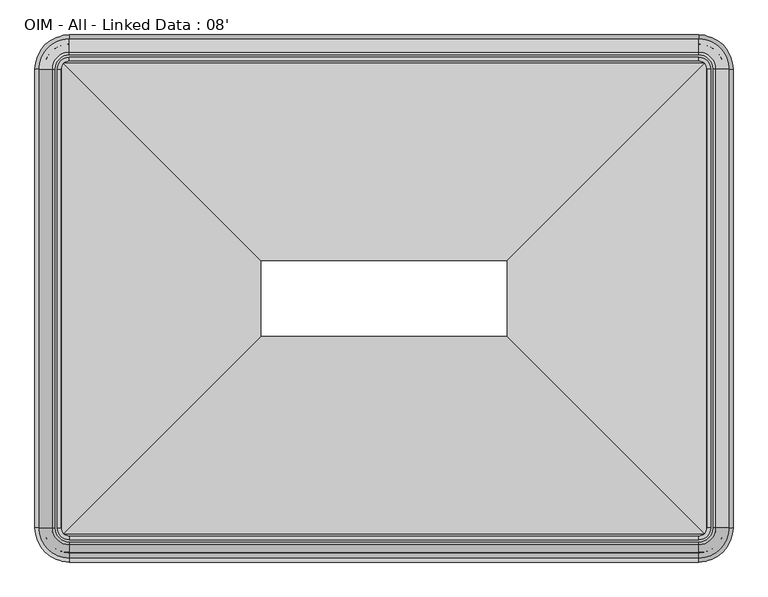
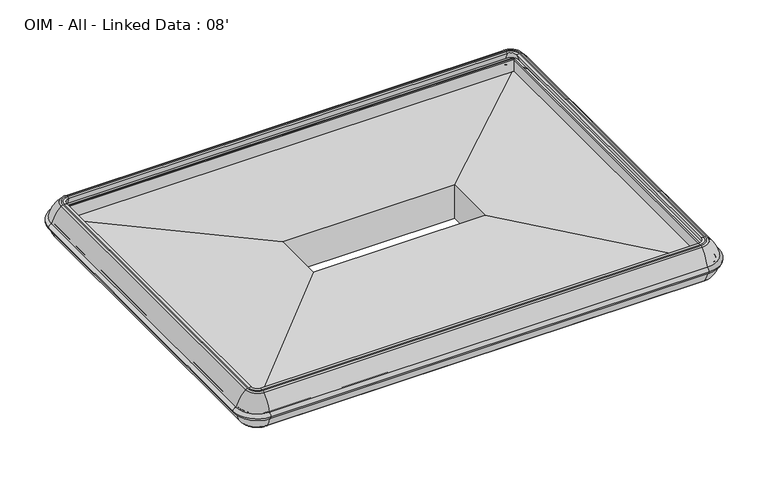
"""IFC4 building model written with IfcOpenShell, lengths in millimetres: proxy geometry, OIM - All - Linked Data : 08'."""

from ifc_helpers import new_model, si_unit, point, frame, origin, place, context, project, spatial, polyline, circle_curve, ellipse_curve, trimmed, faceted_brep, source, transform, mapped, element, save
from ifc_brep_helpers import plane_surface, cylinder_surface, revolved_surface, advanced_brep


def oim_all_linked_data_08_3c88046b(model_context):
    return source(origin(), model_context, "Body", "SolidModel", [
        faceted_brep([(1816.2647942, -1560.5487215, 450.4660075), (1816.2647942, -1560.5487215, 645.5473618), (1816.2647942, -1268.1191331, 645.5473618), (1816.2647942, -1268.1191331, 450.4660075), (2088.9689137, -1833.252841, 436.6496591), (2088.9689137, -995.4150136, 436.6496591), (2104.0508194, -1848.3347467, 422.3615379), (2104.0508194, -980.3331079, 422.3615379), (2117.8073057, -1862.091233, 435.3939986), (2117.8073057, -966.5766216, 435.3939986), (2422.1384126, -2166.4223399, 446.4092529), (2422.1384126, -662.2455147, 446.4092529), (2600.3117928, -2344.5957201, 571.1675968), (2600.3117928, -484.0721345, 571.1675968), (2600.3117928, -2344.5957201, 652.4421919), (2600.3117928, -484.0721345, 652.4421919), (2585.2305021, -2329.5144294, 644.8221919), (2586.2205286, -2330.5044559, 652.4421919), (2586.2205286, -498.1633987, 652.4421919), (2585.2305021, -499.1534252, 644.8221919), (2585.2305021, -2329.5144294, 580.407456), (2585.2305021, -499.1534252, 580.407456), (866.6102058, -1268.1191331, 645.5473618), (866.6102058, -1268.1191331, 450.4660075), (593.9060863, -995.4150136, 436.6496591), (578.8241806, -980.3331079, 422.3615379), (565.0676943, -966.5766216, 435.3939986), (260.7365874, -662.2455147, 446.4092529), (82.5632072, -484.0721345, 571.1675968), (82.5632072, -484.0721345, 652.4421919), (96.6544714, -498.1633987, 652.4421919), (97.6444979, -499.1534252, 644.8221919), (97.6444979, -499.1534252, 580.407456), (866.6102058, -1560.5487215, 645.5473618), (866.6102058, -1560.5487215, 450.4660075), (593.9060863, -1833.252841, 436.6496591), (578.8241806, -1848.3347467, 422.3615379), (565.0676943, -1862.091233, 435.3939986), (260.7365874, -2166.4223399, 446.4092529), (82.5632072, -2344.5957201, 571.1675968), (82.5632072, -2344.5957201, 652.4421919), (96.6544714, -2330.5044559, 652.4421919), (97.6444979, -2329.5144294, 644.8221919), (97.6444979, -2329.5144294, 580.407456)], [[[0, 1, 2, 3]], [[4, 0, 3, 5]], [[6, 4, 5, 7]], [[8, 6, 7, 9]], [[10, 8, 9, 11]], [[12, 10, 11, 13]], [[14, 12, 13, 15]], [[16, 17, 18, 19]], [[20, 16, 19, 21]], [[1, 20, 21, 2]], [[3, 2, 22, 23]], [[5, 3, 23, 24]], [[7, 5, 24, 25]], [[9, 7, 25, 26]], [[11, 9, 26, 27]], [[13, 11, 27, 28]], [[15, 13, 28, 29]], [[19, 18, 30, 31]], [[21, 19, 31, 32]], [[2, 21, 32, 22]], [[23, 22, 33, 34]], [[24, 23, 34, 35]], [[25, 24, 35, 36]], [[26, 25, 36, 37]], [[27, 26, 37, 38]], [[28, 27, 38, 39]], [[29, 28, 39, 40]], [[31, 30, 41, 42]], [[32, 31, 42, 43]], [[22, 32, 43, 33]], [[34, 33, 1, 0]], [[35, 34, 0, 4]], [[36, 35, 4, 6]], [[37, 36, 6, 8]], [[38, 37, 8, 10]], [[39, 38, 10, 12]], [[40, 39, 12, 14]], [[15, 29, 40, 14], [17, 41, 30, 18]], [[42, 41, 17, 16]], [[43, 42, 16, 20]], [[33, 43, 20, 1]]]),
        advanced_brep(
        [(-3.5299884, -2298.62165, 584.7675726), (128.5372773, -2430.6889157, 584.7675726), (128.5372773, -2395.6988356, 584.7675726), (31.4600917, -2298.62165, 584.7675726), (31.4600917, -530.0462046, 584.7675726), (-3.5299884, -530.0462046, 584.7675726), (128.5372773, -397.9789389, 584.7675726), (128.5372773, -432.969019, 584.7675726), (2554.3377227, -432.969019, 584.7675726), (2554.3377227, -397.9789389, 584.7675726), (2686.4049884, -530.0462046, 584.7675726), (2651.4149083, -530.0462046, 584.7675726), (2651.4149083, -2298.62165, 584.7675726), (2686.4049884, -2298.62165, 584.7675726), (2554.3377227, -2430.6889157, 584.7675726), (2554.3377227, -2395.6988356, 584.7675726)],
        [
            (0, 1, circle_curve(frame((128.5372773, -2298.62165, 584.7675726), z_axis=(0.0, 0.0, 1.0), x_axis=(0.0, -1.0, 0.0)), 132.0672657)),
            (1, 2, circle_curve(frame((128.5372773, -2413.1938757, 584.7675726), z_axis=(-1.0, 0.0, 0.0), x_axis=(0.0, -1.0, 0.0)), 17.49504)),
            (2, 3, circle_curve(frame((128.5372773, -2298.62165, 584.7675726), z_axis=(0.0, 0.0, -1.0), x_axis=(0.0, -1.0, 0.0)), 97.0771856)),
            (3, 0, circle_curve(frame((13.9650516, -2298.62165, 584.7675726), z_axis=(0.0, -1.0, 0.0), x_axis=(-1.0, 0.0, 0.0)), 17.49504)),
            (2, 1, circle_curve(frame((128.5372773, -2413.1938757, 584.7675726), z_axis=(-1.0, 0.0, 0.0), x_axis=(0.0, -1.0, 0.0)), 17.49504)),
            (0, 3, circle_curve(frame((13.9650516, -2298.62165, 584.7675726), z_axis=(0.0, -1.0, 0.0), x_axis=(-1.0, 0.0, 0.0)), 17.49504)),
            (3, 4),
            (4, 5, circle_curve(frame((13.9650516, -530.0462046, 584.7675726), z_axis=(0.0, -1.0, 0.0), x_axis=(-1.0, 0.0, 0.0)), 17.49504)),
            (5, 0),
            (5, 4, circle_curve(frame((13.9650516, -530.0462046, 584.7675726), z_axis=(0.0, -1.0, 0.0), x_axis=(-1.0, 0.0, 0.0)), 17.49504)),
            (6, 5, circle_curve(frame((128.5372773, -530.0462046, 584.7675726), z_axis=(0.0, 0.0, 1.0), x_axis=(-1.0, 0.0, 0.0)), 132.0672657)),
            (4, 7, circle_curve(frame((128.5372773, -530.0462046, 584.7675726), z_axis=(0.0, 0.0, -1.0), x_axis=(-1.0, 0.0, 0.0)), 97.0771856)),
            (7, 6, circle_curve(frame((128.5372773, -415.4739789, 584.7675726), z_axis=(-1.0, 0.0, 0.0), x_axis=(0.0, 1.0, 0.0)), 17.49504)),
            (6, 7, circle_curve(frame((128.5372773, -415.4739789, 584.7675726), z_axis=(-1.0, 0.0, 0.0), x_axis=(0.0, 1.0, 0.0)), 17.49504)),
            (7, 8),
            (8, 9, circle_curve(frame((2554.3377227, -415.4739789, 584.7675726), z_axis=(-1.0, 0.0, 0.0), x_axis=(0.0, 1.0, 0.0)), 17.49504)),
            (9, 6),
            (9, 8, circle_curve(frame((2554.3377227, -415.4739789, 584.7675726), z_axis=(-1.0, 0.0, 0.0), x_axis=(0.0, 1.0, 0.0)), 17.49504)),
            (10, 9, circle_curve(frame((2554.3377227, -530.0462046, 584.7675726), z_axis=(0.0, 0.0, 1.0), x_axis=(0.0, 1.0, 0.0)), 132.0672657)),
            (8, 11, circle_curve(frame((2554.3377227, -530.0462046, 584.7675726), z_axis=(0.0, 0.0, -1.0), x_axis=(0.0, 1.0, 0.0)), 97.0771856)),
            (11, 10, circle_curve(frame((2668.9099484, -530.0462046, 584.7675726), z_axis=(0.0, 1.0, 0.0), x_axis=(1.0, 0.0, 0.0)), 17.49504)),
            (10, 11, circle_curve(frame((2668.9099484, -530.0462046, 584.7675726), z_axis=(0.0, 1.0, 0.0), x_axis=(1.0, 0.0, 0.0)), 17.49504)),
            (11, 12),
            (12, 13, circle_curve(frame((2668.9099484, -2298.62165, 584.7675726), z_axis=(0.0, 1.0, 0.0), x_axis=(1.0, 0.0, 0.0)), 17.49504)),
            (13, 10),
            (13, 12, circle_curve(frame((2668.9099484, -2298.62165, 584.7675726), z_axis=(0.0, 1.0, 0.0), x_axis=(1.0, 0.0, 0.0)), 17.49504)),
            (14, 13, circle_curve(frame((2554.3377227, -2298.62165, 584.7675726), z_axis=(0.0, 0.0, 1.0), x_axis=(1.0, 0.0, 0.0)), 132.0672657)),
            (12, 15, circle_curve(frame((2554.3377227, -2298.62165, 584.7675726), z_axis=(0.0, 0.0, -1.0), x_axis=(1.0, 0.0, 0.0)), 97.0771856)),
            (15, 14, circle_curve(frame((2554.3377227, -2413.1938757, 584.7675726), z_axis=(1.0, 0.0, 0.0), x_axis=(0.0, -1.0, 0.0)), 17.49504)),
            (14, 15, circle_curve(frame((2554.3377227, -2413.1938757, 584.7675726), z_axis=(1.0, 0.0, 0.0), x_axis=(0.0, -1.0, 0.0)), 17.49504)),
            (15, 2),
            (1, 14),
        ],
        [
            revolved_surface(trimmed(ellipse_curve(frame((128.5372773, -2413.1938757, 584.7675726), z_axis=(1.0, 0.0, 0.0), x_axis=(0.0, -1.0, 0.0)), 17.49504, 17.49504), [point((128.5372773, -2395.6988356, 584.7675726))], [point((128.5372773, -2430.6889157, 584.7675726))], True, "CARTESIAN"), (128.5372773, -2298.62165, 0.0), (0.0, 0.0, -1.0)),
            revolved_surface(trimmed(ellipse_curve(frame((128.5372773, -2413.1938757, 584.7675726), z_axis=(1.0, 0.0, 0.0), x_axis=(0.0, -1.0, 0.0)), 17.49504, 17.49504), [point((128.5372773, -2430.6889157, 584.7675726))], [point((128.5372773, -2395.6988356, 584.7675726))], True, "CARTESIAN"), (128.5372773, -2298.62165, 0.0), (0.0, 0.0, -1.0)),
            cylinder_surface(frame((13.9650516, -2298.62165, 584.7675726), z_axis=(0.0, -1.0, 0.0), x_axis=(-1.0, 0.0, 0.0)), 17.49504),
            revolved_surface(trimmed(ellipse_curve(frame((13.9650516, -530.0462046, 584.7675726), z_axis=(0.0, -1.0, 0.0), x_axis=(-1.0, 0.0, 0.0)), 17.49504, 17.49504), [point((31.4600917, -530.0462046, 584.7675726))], [point((-3.5299884, -530.0462046, 584.7675726))], True, "CARTESIAN"), (128.5372773, -530.0462046, 0.0), (0.0, 0.0, -1.0)),
            revolved_surface(trimmed(ellipse_curve(frame((13.9650516, -530.0462046, 584.7675726), z_axis=(0.0, -1.0, 0.0), x_axis=(-1.0, 0.0, 0.0)), 17.49504, 17.49504), [point((-3.5299884, -530.0462046, 584.7675726))], [point((31.4600917, -530.0462046, 584.7675726))], True, "CARTESIAN"), (128.5372773, -530.0462046, 0.0), (0.0, 0.0, -1.0)),
            cylinder_surface(frame((128.5372773, -415.4739789, 584.7675726), z_axis=(-1.0, 0.0, 0.0), x_axis=(0.0, 1.0, 0.0)), 17.49504),
            revolved_surface(trimmed(ellipse_curve(frame((2554.3377227, -415.4739789, 584.7675726), z_axis=(-1.0, 0.0, 0.0), x_axis=(0.0, 1.0, 0.0)), 17.49504, 17.49504), [point((2554.3377227, -432.969019, 584.7675726))], [point((2554.3377227, -397.9789389, 584.7675726))], True, "CARTESIAN"), (2554.3377227, -530.0462046, 0.0), (0.0, 0.0, -1.0)),
            revolved_surface(trimmed(ellipse_curve(frame((2554.3377227, -415.4739789, 584.7675726), z_axis=(-1.0, 0.0, 0.0), x_axis=(0.0, 1.0, 0.0)), 17.49504, 17.49504), [point((2554.3377227, -397.9789389, 584.7675726))], [point((2554.3377227, -432.969019, 584.7675726))], True, "CARTESIAN"), (2554.3377227, -530.0462046, 0.0), (0.0, 0.0, -1.0)),
            cylinder_surface(frame((2668.9099484, -530.0462046, 584.7675726), z_axis=(0.0, 1.0, 0.0), x_axis=(1.0, 0.0, 0.0)), 17.49504),
            revolved_surface(trimmed(ellipse_curve(frame((2668.9099484, -2298.62165, 584.7675726), z_axis=(0.0, 1.0, 0.0), x_axis=(1.0, 0.0, 0.0)), 17.49504, 17.49504), [point((2651.4149083, -2298.62165, 584.7675726))], [point((2686.4049884, -2298.62165, 584.7675726))], True, "CARTESIAN"), (2554.3377227, -2298.62165, 0.0), (0.0, 0.0, -1.0)),
            revolved_surface(trimmed(ellipse_curve(frame((2668.9099484, -2298.62165, 584.7675726), z_axis=(0.0, 1.0, 0.0), x_axis=(1.0, 0.0, 0.0)), 17.49504, 17.49504), [point((2686.4049884, -2298.62165, 584.7675726))], [point((2651.4149083, -2298.62165, 584.7675726))], True, "CARTESIAN"), (2554.3377227, -2298.62165, 0.0), (0.0, 0.0, -1.0)),
            cylinder_surface(frame((2554.3377227, -2413.1938757, 584.7675726), z_axis=(1.0, 0.0, 0.0), x_axis=(0.0, -1.0, 0.0)), 17.49504),
        ],
        [
            (0, [[1, 2, 3, 4]]),
            (1, [[-3, 5, -1, 6]]),
            (2, [[-4, 7, 8, 9]]),
            (2, [[-6, -9, 10, -7]]),
            (3, [[11, -8, 12, 13]]),
            (4, [[-12, -10, -11, 14]]),
            (5, [[-13, 15, 16, 17]]),
            (5, [[-14, -17, 18, -15]]),
            (6, [[19, -16, 20, 21]]),
            (7, [[-20, -18, -19, 22]]),
            (8, [[-21, 23, 24, 25]]),
            (8, [[-22, -25, 26, -23]]),
            (9, [[27, -24, 28, 29]]),
            (10, [[-28, -26, -27, 30]]),
            (11, [[-29, 31, -2, 32]]),
            (11, [[-30, -32, -5, -31]]),
        ],
    ),
        advanced_brep(
        [(2602.6168021, -2298.62165, 502.405218), (2554.3377227, -2346.9007294, 502.405218), (2554.3377227, -2346.9007294, 649.6302707), (2602.6168021, -2298.62165, 649.6302707), (2641.4269627, -2298.62165, 504.5537563), (2554.3377227, -2385.71089, 504.5537563), (2554.3377227, -2380.9495646, 502.405218), (2636.6656373, -2298.62165, 502.405218), (2671.4306889, -2298.62165, 567.4550831), (2554.3377227, -2415.7146162, 567.4550831), (2671.2225364, -2298.62165, 602.109094), (2554.3377227, -2415.5064637, 602.109094), (2620.14706, -2298.62165, 687.0777092), (2554.3377227, -2364.4309873, 687.0777092), (2609.3606373, -2298.62165, 691.305018), (2554.3377227, -2353.6445646, 691.305018), (2586.33719, -2298.62165, 690.9584783), (2554.3377227, -2330.6211173, 690.9584783), (2554.3377227, -2344.1195646, 691.305018), (2599.8356373, -2298.62165, 691.305018), (2602.6168021, -530.0462046, 649.6302707), (2602.6168021, -530.0462046, 502.405218), (2636.6656373, -530.0462046, 502.405218), (2641.4269627, -530.0462046, 504.5537563), (2671.4306889, -530.0462046, 567.4550831), (2671.2225364, -530.0462046, 602.109094), (2620.14706, -530.0462046, 687.0777092), (2609.3606373, -530.0462046, 691.305018), (2599.8356373, -530.0462046, 691.305018), (2586.33719, -530.0462046, 690.9584783), (2554.3377227, -481.7671252, 502.405218), (2554.3377227, -481.7671252, 649.6302707), (2554.3377227, -442.9569646, 504.5537563), (2554.3377227, -447.71829, 502.405218), (2554.3377227, -412.9532384, 567.4550831), (2554.3377227, -413.1613909, 602.109094), (2554.3377227, -464.2368673, 687.0777092), (2554.3377227, -475.02329, 691.305018), (2554.3377227, -498.0467373, 690.9584783), (2554.3377227, -484.54829, 691.305018), (128.5372773, -481.7671252, 649.6302707), (128.5372773, -481.7671252, 502.405218), (128.5372773, -447.71829, 502.405218), (128.5372773, -442.9569646, 504.5537563), (128.5372773, -412.9532384, 567.4550831), (128.5372773, -413.1613909, 602.109094), (128.5372773, -464.2368673, 687.0777092), (128.5372773, -475.02329, 691.305018), (128.5372773, -484.54829, 691.305018), (128.5372773, -498.0467373, 690.9584783), (80.2581979, -530.0462046, 502.405218), (80.2581979, -530.0462046, 649.6302707), (41.4480373, -530.0462046, 504.5537563), (46.2093627, -530.0462046, 502.405218), (11.4443111, -530.0462046, 567.4550831), (11.6524636, -530.0462046, 602.109094), (62.72794, -530.0462046, 687.0777092), (73.5143627, -530.0462046, 691.305018), (96.53781, -530.0462046, 690.9584783), (83.0393627, -530.0462046, 691.305018), (80.2581979, -2298.62165, 649.6302707), (80.2581979, -2298.62165, 502.405218), (46.2093627, -2298.62165, 502.405218), (41.4480373, -2298.62165, 504.5537563), (11.4443111, -2298.62165, 567.4550831), (11.6524636, -2298.62165, 602.109094), (62.72794, -2298.62165, 687.0777092), (73.5143627, -2298.62165, 691.305018), (83.0393627, -2298.62165, 691.305018), (96.53781, -2298.62165, 690.9584783), (128.5372773, -2346.9007294, 502.405218), (128.5372773, -2346.9007294, 649.6302707), (128.5372773, -2385.71089, 504.5537563), (128.5372773, -2380.9495646, 502.405218), (128.5372773, -2415.7146162, 567.4550831), (128.5372773, -2415.5064637, 602.109094), (128.5372773, -2364.4309873, 687.0777092), (128.5372773, -2353.6445646, 691.305018), (128.5372773, -2330.6211173, 690.9584783), (128.5372773, -2344.1195646, 691.305018)],
        [
            (0, 1, circle_curve(frame((2554.3377227, -2298.62165, 502.405218), z_axis=(0.0, 0.0, -1.0), x_axis=(0.0, -1.0, 0.0)), 48.2790794)),
            (1, 2),
            (2, 3, circle_curve(frame((2554.3377227, -2298.62165, 649.6302707), z_axis=(0.0, 0.0, 1.0), x_axis=(0.0, -1.0, 0.0)), 48.2790794)),
            (3, 0),
            (4, 5, circle_curve(frame((2554.3377227, -2298.62165, 504.5537563), z_axis=(0.0, 0.0, -1.0), x_axis=(0.0, -1.0, 0.0)), 87.08924)),
            (5, 6, circle_curve(frame((2554.3377227, -2380.9495646, 508.755218), z_axis=(1.0, 0.0, 0.0), x_axis=(0.0, 1.0, 0.0)), 6.35)),
            (6, 7, circle_curve(frame((2554.3377227, -2298.62165, 502.405218), z_axis=(0.0, 0.0, 1.0), x_axis=(0.0, -1.0, 0.0)), 82.3279146)),
            (7, 4, circle_curve(frame((2636.6656373, -2298.62165, 508.755218), z_axis=(0.0, -1.0, 0.0), x_axis=(-1.0, 0.0, 0.0)), 6.35)),
            (8, 9, circle_curve(frame((2554.3377227, -2298.62165, 567.4550831), z_axis=(0.0, 0.0, -1.0), x_axis=(0.0, -1.0, 0.0)), 117.0929662)),
            (9, 5, circle_curve(frame((2554.3377227, -2290.4843821, 588.5829906), z_axis=(1.0, 0.0, 0.0), x_axis=(0.0, 1.0, 0.0)), 127.0)),
            (4, 8, circle_curve(frame((2546.2004548, -2298.62165, 588.5829906), z_axis=(0.0, -1.0, 0.0), x_axis=(-1.0, 0.0, 0.0)), 127.0)),
            (10, 11, circle_curve(frame((2554.3377227, -2298.62165, 602.109094), z_axis=(0.0, 0.0, -1.0), x_axis=(0.0, -1.0, 0.0)), 116.8848137)),
            (11, 9, circle_curve(frame((2554.3377227, -2413.1938757, 584.7675726), z_axis=(-1.0, 0.0, 0.0), x_axis=(0.0, 1.0, 0.0)), 17.49504)),
            (8, 10, circle_curve(frame((2668.9099484, -2298.62165, 584.7675726), z_axis=(0.0, 1.0, 0.0), x_axis=(-1.0, 0.0, 0.0)), 17.49504)),
            (12, 13, circle_curve(frame((2554.3377227, -2298.62165, 687.0777092), z_axis=(0.0, 0.0, -1.0), x_axis=(0.0, -1.0, 0.0)), 65.8093373)),
            (13, 11, circle_curve(frame((2554.3377227, -2243.6230529, 556.623568), z_axis=(1.0, 0.0, 0.0), x_axis=(0.0, 1.0, 0.0)), 177.7999999)),
            (10, 12, circle_curve(frame((2499.3391256, -2298.62165, 556.623568), z_axis=(0.0, -1.0, 0.0), x_axis=(-1.0, 0.0, 0.0)), 177.7999999)),
            (14, 15, circle_curve(frame((2554.3377227, -2298.62165, 691.305018), z_axis=(0.0, 0.0, -1.0), x_axis=(0.0, -1.0, 0.0)), 55.0229146)),
            (15, 13, circle_curve(frame((2554.3377227, -2353.6445646, 675.430018), z_axis=(1.0, 0.0, 0.0), x_axis=(0.0, 1.0, 0.0)), 15.875)),
            (12, 14, circle_curve(frame((2609.3606373, -2298.62165, 675.430018), z_axis=(0.0, -1.0, 0.0), x_axis=(-1.0, 0.0, 0.0)), 15.875)),
            (16, 17, circle_curve(frame((2554.3377227, -2298.62165, 690.9584783), z_axis=(0.0, 0.0, -1.0), x_axis=(0.0, -1.0, 0.0)), 31.9994673)),
            (17, 18),
            (18, 19, circle_curve(frame((2554.3377227, -2298.62165, 691.305018), z_axis=(0.0, 0.0, 1.0), x_axis=(0.0, -1.0, 0.0)), 45.4979146)),
            (19, 16),
            (2, 17),
            (16, 3),
            (3, 20),
            (20, 21),
            (21, 0),
            (7, 22),
            (22, 23, circle_curve(frame((2636.6656373, -530.0462046, 508.755218), z_axis=(0.0, -1.0, 0.0), x_axis=(-1.0, 0.0, 0.0)), 6.35)),
            (23, 4),
            (23, 24, circle_curve(frame((2546.2004548, -530.0462046, 588.5829906), z_axis=(0.0, -1.0, 0.0), x_axis=(-1.0, 0.0, 0.0)), 127.0)),
            (24, 8),
            (24, 25, circle_curve(frame((2668.9099484, -530.0462046, 584.7675726), z_axis=(0.0, 1.0, 0.0), x_axis=(-1.0, 0.0, 0.0)), 17.49504)),
            (25, 10),
            (25, 26, circle_curve(frame((2499.3391256, -530.0462046, 556.623568), z_axis=(0.0, -1.0, 0.0), x_axis=(-1.0, 0.0, 0.0)), 177.7999999)),
            (26, 12),
            (26, 27, circle_curve(frame((2609.3606373, -530.0462046, 675.430018), z_axis=(0.0, -1.0, 0.0), x_axis=(-1.0, 0.0, 0.0)), 15.875)),
            (27, 14),
            (19, 28),
            (28, 29),
            (29, 16),
            (29, 20),
            (30, 21, circle_curve(frame((2554.3377227, -530.0462046, 502.405218), z_axis=(0.0, 0.0, -1.0), x_axis=(1.0, 0.0, 0.0)), 48.2790794)),
            (20, 31, circle_curve(frame((2554.3377227, -530.0462046, 649.6302707), z_axis=(0.0, 0.0, 1.0), x_axis=(1.0, 0.0, 0.0)), 48.2790794)),
            (31, 30),
            (32, 23, circle_curve(frame((2554.3377227, -530.0462046, 504.5537563), z_axis=(0.0, 0.0, -1.0), x_axis=(1.0, 0.0, 0.0)), 87.08924)),
            (22, 33, circle_curve(frame((2554.3377227, -530.0462046, 502.405218), z_axis=(0.0, 0.0, 1.0), x_axis=(1.0, 0.0, 0.0)), 82.3279146)),
            (33, 32, circle_curve(frame((2554.3377227, -447.71829, 508.755218), z_axis=(1.0, 0.0, 0.0), x_axis=(0.0, -1.0, 0.0)), 6.35)),
            (34, 24, circle_curve(frame((2554.3377227, -530.0462046, 567.4550831), z_axis=(0.0, 0.0, -1.0), x_axis=(1.0, 0.0, 0.0)), 117.0929662)),
            (32, 34, circle_curve(frame((2554.3377227, -538.1834725, 588.5829906), z_axis=(1.0, 0.0, 0.0), x_axis=(0.0, -1.0, 0.0)), 127.0)),
            (35, 25, circle_curve(frame((2554.3377227, -530.0462046, 602.109094), z_axis=(0.0, 0.0, -1.0), x_axis=(1.0, 0.0, 0.0)), 116.8848137)),
            (34, 35, circle_curve(frame((2554.3377227, -415.4739789, 584.7675726), z_axis=(-1.0, 0.0, 0.0), x_axis=(0.0, -1.0, 0.0)), 17.49504)),
            (36, 26, circle_curve(frame((2554.3377227, -530.0462046, 687.0777092), z_axis=(0.0, 0.0, -1.0), x_axis=(1.0, 0.0, 0.0)), 65.8093373)),
            (35, 36, circle_curve(frame((2554.3377227, -585.0448017, 556.623568), z_axis=(1.0, 0.0, 0.0), x_axis=(0.0, -1.0, 0.0)), 177.7999999)),
            (37, 27, circle_curve(frame((2554.3377227, -530.0462046, 691.305018), z_axis=(0.0, 0.0, -1.0), x_axis=(1.0, 0.0, 0.0)), 55.0229146)),
            (36, 37, circle_curve(frame((2554.3377227, -475.02329, 675.430018), z_axis=(1.0, 0.0, 0.0), x_axis=(0.0, -1.0, 0.0)), 15.875)),
            (38, 29, circle_curve(frame((2554.3377227, -530.0462046, 690.9584783), z_axis=(0.0, 0.0, -1.0), x_axis=(1.0, 0.0, 0.0)), 31.9994673)),
            (28, 39, circle_curve(frame((2554.3377227, -530.0462046, 691.305018), z_axis=(0.0, 0.0, 1.0), x_axis=(1.0, 0.0, 0.0)), 45.4979146)),
            (39, 38),
            (38, 31),
            (31, 40),
            (40, 41),
            (41, 30),
            (33, 42),
            (42, 43, circle_curve(frame((128.5372773, -447.71829, 508.755218), z_axis=(1.0, 0.0, 0.0), x_axis=(0.0, -1.0, 0.0)), 6.35)),
            (43, 32),
            (43, 44, circle_curve(frame((128.5372773, -538.1834725, 588.5829906), z_axis=(1.0, 0.0, 0.0), x_axis=(0.0, -1.0, 0.0)), 127.0)),
            (44, 34),
            (44, 45, circle_curve(frame((128.5372773, -415.4739789, 584.7675726), z_axis=(-1.0, 0.0, 0.0), x_axis=(0.0, -1.0, 0.0)), 17.49504)),
            (45, 35),
            (45, 46, circle_curve(frame((128.5372773, -585.0448017, 556.623568), z_axis=(1.0, 0.0, 0.0), x_axis=(0.0, -1.0, 0.0)), 177.7999999)),
            (46, 36),
            (46, 47, circle_curve(frame((128.5372773, -475.02329, 675.430018), z_axis=(1.0, 0.0, 0.0), x_axis=(0.0, -1.0, 0.0)), 15.875)),
            (47, 37),
            (39, 48),
            (48, 49),
            (49, 38),
            (49, 40),
            (50, 41, circle_curve(frame((128.5372773, -530.0462046, 502.405218), z_axis=(0.0, 0.0, -1.0), x_axis=(0.0, 1.0, 0.0)), 48.2790794)),
            (40, 51, circle_curve(frame((128.5372773, -530.0462046, 649.6302707), z_axis=(0.0, 0.0, 1.0), x_axis=(0.0, 1.0, 0.0)), 48.2790794)),
            (51, 50),
            (52, 43, circle_curve(frame((128.5372773, -530.0462046, 504.5537563), z_axis=(0.0, 0.0, -1.0), x_axis=(0.0, 1.0, 0.0)), 87.08924)),
            (42, 53, circle_curve(frame((128.5372773, -530.0462046, 502.405218), z_axis=(0.0, 0.0, 1.0), x_axis=(0.0, 1.0, 0.0)), 82.3279146)),
            (53, 52, circle_curve(frame((46.2093627, -530.0462046, 508.755218), z_axis=(0.0, 1.0, 0.0), x_axis=(1.0, 0.0, 0.0)), 6.35)),
            (54, 44, circle_curve(frame((128.5372773, -530.0462046, 567.4550831), z_axis=(0.0, 0.0, -1.0), x_axis=(0.0, 1.0, 0.0)), 117.0929662)),
            (52, 54, circle_curve(frame((136.6745452, -530.0462046, 588.5829906), z_axis=(0.0, 1.0, 0.0), x_axis=(1.0, 0.0, 0.0)), 127.0)),
            (55, 45, circle_curve(frame((128.5372773, -530.0462046, 602.109094), z_axis=(0.0, 0.0, -1.0), x_axis=(0.0, 1.0, 0.0)), 116.8848137)),
            (54, 55, circle_curve(frame((13.9650516, -530.0462046, 584.7675726), z_axis=(0.0, -1.0, 0.0), x_axis=(1.0, 0.0, 0.0)), 17.49504)),
            (56, 46, circle_curve(frame((128.5372773, -530.0462046, 687.0777092), z_axis=(0.0, 0.0, -1.0), x_axis=(0.0, 1.0, 0.0)), 65.8093373)),
            (55, 56, circle_curve(frame((183.5358744, -530.0462046, 556.623568), z_axis=(0.0, 1.0, 0.0), x_axis=(1.0, 0.0, 0.0)), 177.7999999)),
            (57, 47, circle_curve(frame((128.5372773, -530.0462046, 691.305018), z_axis=(0.0, 0.0, -1.0), x_axis=(0.0, 1.0, 0.0)), 55.0229146)),
            (56, 57, circle_curve(frame((73.5143627, -530.0462046, 675.430018), z_axis=(0.0, 1.0, 0.0), x_axis=(1.0, 0.0, 0.0)), 15.875)),
            (58, 49, circle_curve(frame((128.5372773, -530.0462046, 690.9584783), z_axis=(0.0, 0.0, -1.0), x_axis=(0.0, 1.0, 0.0)), 31.9994673)),
            (48, 59, circle_curve(frame((128.5372773, -530.0462046, 691.305018), z_axis=(0.0, 0.0, 1.0), x_axis=(0.0, 1.0, 0.0)), 45.4979146)),
            (59, 58),
            (58, 51),
            (51, 60),
            (60, 61),
            (61, 50),
            (53, 62),
            (62, 63, circle_curve(frame((46.2093627, -2298.62165, 508.755218), z_axis=(0.0, 1.0, 0.0), x_axis=(1.0, 0.0, 0.0)), 6.35)),
            (63, 52),
            (63, 64, circle_curve(frame((136.6745452, -2298.62165, 588.5829906), z_axis=(0.0, 1.0, 0.0), x_axis=(1.0, 0.0, 0.0)), 127.0)),
            (64, 54),
            (64, 65, circle_curve(frame((13.9650516, -2298.62165, 584.7675726), z_axis=(0.0, -1.0, 0.0), x_axis=(1.0, 0.0, 0.0)), 17.49504)),
            (65, 55),
            (65, 66, circle_curve(frame((183.5358744, -2298.62165, 556.623568), z_axis=(0.0, 1.0, 0.0), x_axis=(1.0, 0.0, 0.0)), 177.7999999)),
            (66, 56),
            (66, 67, circle_curve(frame((73.5143627, -2298.62165, 675.430018), z_axis=(0.0, 1.0, 0.0), x_axis=(1.0, 0.0, 0.0)), 15.875)),
            (67, 57),
            (59, 68),
            (68, 69),
            (69, 58),
            (69, 60),
            (70, 61, circle_curve(frame((128.5372773, -2298.62165, 502.405218), z_axis=(0.0, 0.0, -1.0), x_axis=(-1.0, 0.0, 0.0)), 48.2790794)),
            (60, 71, circle_curve(frame((128.5372773, -2298.62165, 649.6302707), z_axis=(0.0, 0.0, 1.0), x_axis=(-1.0, 0.0, 0.0)), 48.2790794)),
            (71, 70),
            (72, 63, circle_curve(frame((128.5372773, -2298.62165, 504.5537563), z_axis=(0.0, 0.0, -1.0), x_axis=(-1.0, 0.0, 0.0)), 87.08924)),
            (62, 73, circle_curve(frame((128.5372773, -2298.62165, 502.405218), z_axis=(0.0, 0.0, 1.0), x_axis=(-1.0, 0.0, 0.0)), 82.3279146)),
            (73, 72, circle_curve(frame((128.5372773, -2380.9495646, 508.755218), z_axis=(-1.0, 0.0, 0.0), x_axis=(0.0, 1.0, 0.0)), 6.35)),
            (74, 64, circle_curve(frame((128.5372773, -2298.62165, 567.4550831), z_axis=(0.0, 0.0, -1.0), x_axis=(-1.0, 0.0, 0.0)), 117.0929662)),
            (72, 74, circle_curve(frame((128.5372773, -2290.4843821, 588.5829906), z_axis=(-1.0, 0.0, 0.0), x_axis=(0.0, 1.0, 0.0)), 127.0)),
            (75, 65, circle_curve(frame((128.5372773, -2298.62165, 602.109094), z_axis=(0.0, 0.0, -1.0), x_axis=(-1.0, 0.0, 0.0)), 116.8848137)),
            (74, 75, circle_curve(frame((128.5372773, -2413.1938757, 584.7675726), z_axis=(1.0, 0.0, 0.0), x_axis=(0.0, 1.0, 0.0)), 17.49504)),
            (76, 66, circle_curve(frame((128.5372773, -2298.62165, 687.0777092), z_axis=(0.0, 0.0, -1.0), x_axis=(-1.0, 0.0, 0.0)), 65.8093373)),
            (75, 76, circle_curve(frame((128.5372773, -2243.6230529, 556.623568), z_axis=(-1.0, 0.0, 0.0), x_axis=(0.0, 1.0, 0.0)), 177.7999999)),
            (77, 67, circle_curve(frame((128.5372773, -2298.62165, 691.305018), z_axis=(0.0, 0.0, -1.0), x_axis=(-1.0, 0.0, 0.0)), 55.0229146)),
            (76, 77, circle_curve(frame((128.5372773, -2353.6445646, 675.430018), z_axis=(-1.0, 0.0, 0.0), x_axis=(0.0, 1.0, 0.0)), 15.875)),
            (78, 69, circle_curve(frame((128.5372773, -2298.62165, 690.9584783), z_axis=(0.0, 0.0, -1.0), x_axis=(-1.0, 0.0, 0.0)), 31.9994673)),
            (68, 79, circle_curve(frame((128.5372773, -2298.62165, 691.305018), z_axis=(0.0, 0.0, 1.0), x_axis=(-1.0, 0.0, 0.0)), 45.4979146)),
            (79, 78),
            (78, 71),
            (71, 2),
            (1, 70),
            (6, 73),
            (5, 72),
            (9, 74),
            (11, 75),
            (13, 76),
            (15, 77),
            (18, 79),
            (17, 78),
        ],
        [
            revolved_surface(polyline([(2554.3377227, -2346.9007294000003, 649.6302707), (2554.3377227, -2346.9007294000003, 502.405218)]), (2554.3377227, -2298.62165, 0.0), (0.0, 0.0, 1.0)),
            revolved_surface(trimmed(ellipse_curve(frame((2554.3377227, -2380.9495646, 508.755218), z_axis=(-1.0, 0.0, 0.0), x_axis=(0.0, 1.0, 0.0)), 6.35, 6.35), [point((2554.3377227, -2380.9495646, 502.405218))], [point((2554.3377227, -2385.71089, 504.5537563))], True, "CARTESIAN"), (2554.3377227, -2298.62165, 0.0), (0.0, 0.0, 1.0)),
            revolved_surface(trimmed(ellipse_curve(frame((2554.3377227, -2290.4843821, 588.5829906), z_axis=(-1.0, 0.0, 0.0), x_axis=(0.0, 1.0, 0.0)), 127.0, 127.0), [point((2554.3377227, -2385.71089, 504.5537563))], [point((2554.3377227, -2415.7146162, 567.4550831))], True, "CARTESIAN"), (2554.3377227, -2298.62165, 0.0), (0.0, 0.0, 1.0)),
            revolved_surface(trimmed(ellipse_curve(frame((2554.3377227, -2413.1938757, 584.7675726), z_axis=(1.0, 0.0, 0.0), x_axis=(0.0, 1.0, 0.0)), 17.49504, 17.49504), [point((2554.3377227, -2415.7146162, 567.4550831))], [point((2554.3377227, -2415.5064637, 602.109094))], True, "CARTESIAN"), (2554.3377227, -2298.62165, 0.0), (0.0, 0.0, 1.0)),
            revolved_surface(trimmed(ellipse_curve(frame((2554.3377227, -2243.6230529, 556.623568), z_axis=(-1.0, 0.0, 0.0), x_axis=(0.0, 1.0, 0.0)), 177.7999999, 177.7999999), [point((2554.3377227, -2415.5064637, 602.109094))], [point((2554.3377227, -2364.4309873, 687.0777092))], True, "CARTESIAN"), (2554.3377227, -2298.62165, 0.0), (0.0, 0.0, 1.0)),
            revolved_surface(trimmed(ellipse_curve(frame((2554.3377227, -2353.6445646, 675.430018), z_axis=(-1.0, 0.0, 0.0), x_axis=(0.0, 1.0, 0.0)), 15.875, 15.875), [point((2554.3377227, -2364.4309873, 687.0777092))], [point((2554.3377227, -2353.6445646, 691.305018))], True, "CARTESIAN"), (2554.3377227, -2298.62165, 0.0), (0.0, 0.0, 1.0)),
            revolved_surface(polyline([(2554.3377227, -2344.1195646, 691.305018), (2554.3377227, -2330.6211173, 690.9584783)]), (2554.3377227, -2298.62165, 0.0), (0.0, 0.0, 1.0)),
            revolved_surface(polyline([(2554.3377227, -2330.6211173, 690.9584783), (2554.3377227, -2346.9007294, 649.6302707)]), (2554.3377227, -2298.62165, 0.0), (0.0, 0.0, 1.0)),
            plane_surface(frame((2602.6168021, -2298.62165, 649.6302707), z_axis=(-1.0, 0.0, 0.0), x_axis=(0.0, 1.0, 0.0))),
            cylinder_surface(frame((2636.6656373, -2298.62165, 508.755218), z_axis=(0.0, -1.0, 0.0), x_axis=(-1.0, 0.0, 0.0)), 6.35),
            cylinder_surface(frame((2546.2004548, -2298.62165, 588.5829906), z_axis=(0.0, -1.0, 0.0), x_axis=(-1.0, 0.0, 0.0)), 127.0),
            revolved_surface(polyline([(2651.4149084, -530.0462046, 584.7675726), (2651.4149084, -2298.62165, 584.7675726)]), (2668.9099484, -2298.62165, 584.7675726), (0.0, 1.0, 0.0)),
            cylinder_surface(frame((2499.3391256, -2298.62165, 556.623568), z_axis=(0.0, -1.0, 0.0), x_axis=(-1.0, 0.0, 0.0)), 177.7999999),
            cylinder_surface(frame((2609.3606373, -2298.62165, 675.430018), z_axis=(0.0, -1.0, 0.0), x_axis=(-1.0, 0.0, 0.0)), 15.875),
            plane_surface(frame((2599.8356373, -2298.62165, 691.305018), z_axis=(-0.025664107244517724, 0.0, 0.9996706225549202), x_axis=(0.0, 1.0, 0.0))),
            plane_surface(frame((2586.33719, -2298.62165, 690.9584783), z_axis=(-0.9304175813628891, 0.0, -0.3665011927549917), x_axis=(0.0, 1.0, 0.0))),
            revolved_surface(polyline([(2602.6168021000003, -530.0462046, 649.6302707), (2602.6168021000003, -530.0462046, 502.405218)]), (2554.3377227, -530.0462046, 0.0), (0.0, 0.0, 1.0)),
            revolved_surface(trimmed(ellipse_curve(frame((2636.6656373, -530.0462046, 508.755218), z_axis=(0.0, -1.0, 0.0), x_axis=(-1.0, 0.0, 0.0)), 6.35, 6.35), [point((2636.6656373, -530.0462046, 502.405218))], [point((2641.4269627, -530.0462046, 504.5537563))], True, "CARTESIAN"), (2554.3377227, -530.0462046, 0.0), (0.0, 0.0, 1.0)),
            revolved_surface(trimmed(ellipse_curve(frame((2546.2004548, -530.0462046, 588.5829906), z_axis=(0.0, -1.0, 0.0), x_axis=(-1.0, 0.0, 0.0)), 127.0, 127.0), [point((2641.4269627, -530.0462046, 504.5537563))], [point((2671.4306889, -530.0462046, 567.4550831))], True, "CARTESIAN"), (2554.3377227, -530.0462046, 0.0), (0.0, 0.0, 1.0)),
            revolved_surface(trimmed(ellipse_curve(frame((2668.9099484, -530.0462046, 584.7675726), z_axis=(0.0, 1.0, 0.0), x_axis=(-1.0, 0.0, 0.0)), 17.49504, 17.49504), [point((2671.4306889, -530.0462046, 567.4550831))], [point((2671.2225364, -530.0462046, 602.109094))], True, "CARTESIAN"), (2554.3377227, -530.0462046, 0.0), (0.0, 0.0, 1.0)),
            revolved_surface(trimmed(ellipse_curve(frame((2499.3391256, -530.0462046, 556.623568), z_axis=(0.0, -1.0, 0.0), x_axis=(-1.0, 0.0, 0.0)), 177.7999999, 177.7999999), [point((2671.2225364, -530.0462046, 602.109094))], [point((2620.14706, -530.0462046, 687.0777092))], True, "CARTESIAN"), (2554.3377227, -530.0462046, 0.0), (0.0, 0.0, 1.0)),
            revolved_surface(trimmed(ellipse_curve(frame((2609.3606373, -530.0462046, 675.430018), z_axis=(0.0, -1.0, 0.0), x_axis=(-1.0, 0.0, 0.0)), 15.875, 15.875), [point((2620.14706, -530.0462046, 687.0777092))], [point((2609.3606373, -530.0462046, 691.305018))], True, "CARTESIAN"), (2554.3377227, -530.0462046, 0.0), (0.0, 0.0, 1.0)),
            revolved_surface(polyline([(2599.8356373, -530.0462046, 691.305018), (2586.33719, -530.0462046, 690.9584783)]), (2554.3377227, -530.0462046, 0.0), (0.0, 0.0, 1.0)),
            revolved_surface(polyline([(2586.33719, -530.0462046, 690.9584783), (2602.6168021, -530.0462046, 649.6302707)]), (2554.3377227, -530.0462046, 0.0), (0.0, 0.0, 1.0)),
            plane_surface(frame((2554.3377227, -481.7671252, 649.6302707), z_axis=(0.0, -1.0, 0.0), x_axis=(-1.0, 0.0, 0.0))),
            cylinder_surface(frame((2554.3377227, -447.71829, 508.755218), z_axis=(1.0, 0.0, 0.0), x_axis=(0.0, -1.0, 0.0)), 6.35),
            cylinder_surface(frame((2554.3377227, -538.1834725, 588.5829906), z_axis=(1.0, 0.0, 0.0), x_axis=(0.0, -1.0, 0.0)), 127.0),
            revolved_surface(polyline([(128.53727729999991, -432.96901890000004, 584.7675726), (2554.3377227, -432.96901890000004, 584.7675726)]), (2554.3377227, -415.4739789, 584.7675726), (-1.0, 0.0, 0.0)),
            cylinder_surface(frame((2554.3377227, -585.0448017, 556.623568), z_axis=(1.0, 0.0, 0.0), x_axis=(0.0, -1.0, 0.0)), 177.7999999),
            cylinder_surface(frame((2554.3377227, -475.02329, 675.430018), z_axis=(1.0, 0.0, 0.0), x_axis=(0.0, -1.0, 0.0)), 15.875),
            plane_surface(frame((2554.3377227, -484.54829, 691.305018), z_axis=(0.0, -0.025664107244517724, 0.9996706225549202), x_axis=(-1.0, 0.0, 0.0))),
            plane_surface(frame((2554.3377227, -498.0467373, 690.9584783), z_axis=(0.0, -0.9304175813628891, -0.3665011927549917), x_axis=(-1.0, 0.0, 0.0))),
            revolved_surface(polyline([(128.5372773, -481.7671252, 649.6302707), (128.5372773, -481.7671252, 502.405218)]), (128.5372773, -530.0462046, 0.0), (0.0, 0.0, 1.0)),
            revolved_surface(trimmed(ellipse_curve(frame((128.5372773, -447.71829, 508.755218), z_axis=(1.0, 0.0, 0.0), x_axis=(0.0, -1.0, 0.0)), 6.35, 6.35), [point((128.5372773, -447.71829, 502.405218))], [point((128.5372773, -442.9569646, 504.5537563))], True, "CARTESIAN"), (128.5372773, -530.0462046, 0.0), (0.0, 0.0, 1.0)),
            revolved_surface(trimmed(ellipse_curve(frame((128.5372773, -538.1834725, 588.5829906), z_axis=(1.0, 0.0, 0.0), x_axis=(0.0, -1.0, 0.0)), 127.0, 127.0), [point((128.5372773, -442.9569646, 504.5537563))], [point((128.5372773, -412.9532384, 567.4550831))], True, "CARTESIAN"), (128.5372773, -530.0462046, 0.0), (0.0, 0.0, 1.0)),
            revolved_surface(trimmed(ellipse_curve(frame((128.5372773, -415.4739789, 584.7675726), z_axis=(-1.0, 0.0, 0.0), x_axis=(0.0, -1.0, 0.0)), 17.49504, 17.49504), [point((128.5372773, -412.9532384, 567.4550831))], [point((128.5372773, -413.1613909, 602.109094))], True, "CARTESIAN"), (128.5372773, -530.0462046, 0.0), (0.0, 0.0, 1.0)),
            revolved_surface(trimmed(ellipse_curve(frame((128.5372773, -585.0448017, 556.623568), z_axis=(1.0, 0.0, 0.0), x_axis=(0.0, -1.0, 0.0)), 177.7999999, 177.7999999), [point((128.5372773, -413.1613909, 602.109094))], [point((128.5372773, -464.2368673, 687.0777092))], True, "CARTESIAN"), (128.5372773, -530.0462046, 0.0), (0.0, 0.0, 1.0)),
            revolved_surface(trimmed(ellipse_curve(frame((128.5372773, -475.02329, 675.430018), z_axis=(1.0, 0.0, 0.0), x_axis=(0.0, -1.0, 0.0)), 15.875, 15.875), [point((128.5372773, -464.2368673, 687.0777092))], [point((128.5372773, -475.02329, 691.305018))], True, "CARTESIAN"), (128.5372773, -530.0462046, 0.0), (0.0, 0.0, 1.0)),
            revolved_surface(polyline([(128.5372773, -484.54829, 691.305018), (128.5372773, -498.0467373, 690.9584783)]), (128.5372773, -530.0462046, 0.0), (0.0, 0.0, 1.0)),
            revolved_surface(polyline([(128.5372773, -498.0467373, 690.9584783), (128.5372773, -481.7671252, 649.6302707)]), (128.5372773, -530.0462046, 0.0), (0.0, 0.0, 1.0)),
            plane_surface(frame((80.2581979, -530.0462046, 649.6302707), z_axis=(1.0, 0.0, 0.0), x_axis=(0.0, -1.0, 0.0))),
            cylinder_surface(frame((46.2093627, -530.0462046, 508.755218), z_axis=(0.0, 1.0, 0.0), x_axis=(1.0, 0.0, 0.0)), 6.35),
            cylinder_surface(frame((136.6745452, -530.0462046, 588.5829906), z_axis=(0.0, 1.0, 0.0), x_axis=(1.0, 0.0, 0.0)), 127.0),
            revolved_surface(polyline([(31.4600916, -2298.62165, 584.7675726), (31.4600916, -530.0462046, 584.7675726)]), (13.9650516, -530.0462046, 584.7675726), (0.0, -1.0, 0.0)),
            cylinder_surface(frame((183.5358744, -530.0462046, 556.623568), z_axis=(0.0, 1.0, 0.0), x_axis=(1.0, 0.0, 0.0)), 177.7999999),
            cylinder_surface(frame((73.5143627, -530.0462046, 675.430018), z_axis=(0.0, 1.0, 0.0), x_axis=(1.0, 0.0, 0.0)), 15.875),
            plane_surface(frame((83.0393627, -530.0462046, 691.305018), z_axis=(0.025664107244517724, 0.0, 0.9996706225549202), x_axis=(0.0, -1.0, 0.0))),
            plane_surface(frame((96.53781, -530.0462046, 690.9584783), z_axis=(0.9304175813628891, 0.0, -0.3665011927549917), x_axis=(0.0, -1.0, 0.0))),
            revolved_surface(polyline([(80.2581979, -2298.62165, 649.6302707), (80.2581979, -2298.62165, 502.405218)]), (128.5372773, -2298.62165, 0.0), (0.0, 0.0, 1.0)),
            revolved_surface(trimmed(ellipse_curve(frame((46.2093627, -2298.62165, 508.755218), z_axis=(0.0, 1.0, 0.0), x_axis=(1.0, 0.0, 0.0)), 6.35, 6.35), [point((46.2093627, -2298.62165, 502.405218))], [point((41.4480373, -2298.62165, 504.5537563))], True, "CARTESIAN"), (128.5372773, -2298.62165, 0.0), (0.0, 0.0, 1.0)),
            revolved_surface(trimmed(ellipse_curve(frame((136.6745452, -2298.62165, 588.5829906), z_axis=(0.0, 1.0, 0.0), x_axis=(1.0, 0.0, 0.0)), 127.0, 127.0), [point((41.4480373, -2298.62165, 504.5537563))], [point((11.4443111, -2298.62165, 567.4550831))], True, "CARTESIAN"), (128.5372773, -2298.62165, 0.0), (0.0, 0.0, 1.0)),
            revolved_surface(trimmed(ellipse_curve(frame((13.9650516, -2298.62165, 584.7675726), z_axis=(0.0, -1.0, 0.0), x_axis=(1.0, 0.0, 0.0)), 17.49504, 17.49504), [point((11.4443111, -2298.62165, 567.4550831))], [point((11.6524636, -2298.62165, 602.109094))], True, "CARTESIAN"), (128.5372773, -2298.62165, 0.0), (0.0, 0.0, 1.0)),
            revolved_surface(trimmed(ellipse_curve(frame((183.5358744, -2298.62165, 556.623568), z_axis=(0.0, 1.0, 0.0), x_axis=(1.0, 0.0, 0.0)), 177.7999999, 177.7999999), [point((11.6524636, -2298.62165, 602.109094))], [point((62.72794, -2298.62165, 687.0777092))], True, "CARTESIAN"), (128.5372773, -2298.62165, 0.0), (0.0, 0.0, 1.0)),
            revolved_surface(trimmed(ellipse_curve(frame((73.5143627, -2298.62165, 675.430018), z_axis=(0.0, 1.0, 0.0), x_axis=(1.0, 0.0, 0.0)), 15.875, 15.875), [point((62.72794, -2298.62165, 687.0777092))], [point((73.5143627, -2298.62165, 691.305018))], True, "CARTESIAN"), (128.5372773, -2298.62165, 0.0), (0.0, 0.0, 1.0)),
            revolved_surface(polyline([(83.0393627, -2298.62165, 691.305018), (96.53781, -2298.62165, 690.9584783)]), (128.5372773, -2298.62165, 0.0), (0.0, 0.0, 1.0)),
            revolved_surface(polyline([(96.53781, -2298.62165, 690.9584783), (80.2581979, -2298.62165, 649.6302707)]), (128.5372773, -2298.62165, 0.0), (0.0, 0.0, 1.0)),
            plane_surface(frame((128.5372773, -2346.9007294, 649.6302707), z_axis=(0.0, 1.0, 0.0), x_axis=(1.0, 0.0, 0.0))),
            plane_surface(frame((128.5372773, -2346.9007294, 502.405218), z_axis=(0.0, 0.0, -1.0), x_axis=(1.0, 0.0, 0.0))),
            cylinder_surface(frame((128.5372773, -2380.9495646, 508.755218), z_axis=(-1.0, 0.0, 0.0), x_axis=(0.0, 1.0, 0.0)), 6.35),
            cylinder_surface(frame((128.5372773, -2290.4843821, 588.5829906), z_axis=(-1.0, 0.0, 0.0), x_axis=(0.0, 1.0, 0.0)), 127.0),
            revolved_surface(polyline([(2554.3377227, -2395.6988357, 584.7675726), (128.5372773, -2395.6988357, 584.7675726)]), (128.5372773, -2413.1938757, 584.7675726), (1.0, 0.0, 0.0)),
            cylinder_surface(frame((128.5372773, -2243.6230529, 556.623568), z_axis=(-1.0, 0.0, 0.0), x_axis=(0.0, 1.0, 0.0)), 177.7999999),
            cylinder_surface(frame((128.5372773, -2353.6445646, 675.430018), z_axis=(-1.0, 0.0, 0.0), x_axis=(0.0, 1.0, 0.0)), 15.875),
            plane_surface(frame((128.5372773, -2353.6445646, 691.305018), z_axis=(0.0, 0.0, 1.0), x_axis=(1.0, 0.0, 0.0))),
            plane_surface(frame((128.5372773, -2344.1195646, 691.305018), z_axis=(0.0, 0.025664107244517724, 0.9996706225549202), x_axis=(1.0, 0.0, 0.0))),
            plane_surface(frame((128.5372773, -2330.6211173, 690.9584783), z_axis=(0.0, 0.9304175813628891, -0.3665011927549917), x_axis=(1.0, 0.0, 0.0))),
        ],
        [
            (0, [[1, 2, 3, 4]]),
            (1, [[5, 6, 7, 8]]),
            (2, [[9, 10, -5, 11]]),
            (3, [[12, 13, -9, 14]]),
            (4, [[15, 16, -12, 17]]),
            (5, [[18, 19, -15, 20]]),
            (6, [[21, 22, 23, 24]]),
            (7, [[-3, 25, -21, 26]]),
            (8, [[-4, 27, 28, 29]]),
            (9, [[-8, 30, 31, 32]]),
            (10, [[-11, -32, 33, 34]]),
            (11, [[-14, -34, 35, 36]]),
            (12, [[-17, -36, 37, 38]]),
            (13, [[-20, -38, 39, 40]]),
            (14, [[-24, 41, 42, 43]]),
            (15, [[-26, -43, 44, -27]]),
            (16, [[45, -28, 46, 47]]),
            (17, [[48, -31, 49, 50]]),
            (18, [[51, -33, -48, 52]]),
            (19, [[53, -35, -51, 54]]),
            (20, [[55, -37, -53, 56]]),
            (21, [[57, -39, -55, 58]]),
            (22, [[59, -42, 60, 61]]),
            (23, [[-46, -44, -59, 62]]),
            (24, [[-47, 63, 64, 65]]),
            (25, [[-50, 66, 67, 68]]),
            (26, [[-52, -68, 69, 70]]),
            (27, [[-54, -70, 71, 72]]),
            (28, [[-56, -72, 73, 74]]),
            (29, [[-58, -74, 75, 76]]),
            (30, [[-61, 77, 78, 79]]),
            (31, [[-62, -79, 80, -63]]),
            (32, [[81, -64, 82, 83]]),
            (33, [[84, -67, 85, 86]]),
            (34, [[87, -69, -84, 88]]),
            (35, [[89, -71, -87, 90]]),
            (36, [[91, -73, -89, 92]]),
            (37, [[93, -75, -91, 94]]),
            (38, [[95, -78, 96, 97]]),
            (39, [[-82, -80, -95, 98]]),
            (40, [[-83, 99, 100, 101]]),
            (41, [[-86, 102, 103, 104]]),
            (42, [[-88, -104, 105, 106]]),
            (43, [[-90, -106, 107, 108]]),
            (44, [[-92, -108, 109, 110]]),
            (45, [[-94, -110, 111, 112]]),
            (46, [[-97, 113, 114, 115]]),
            (47, [[-98, -115, 116, -99]]),
            (48, [[117, -100, 118, 119]]),
            (49, [[120, -103, 121, 122]]),
            (50, [[123, -105, -120, 124]]),
            (51, [[125, -107, -123, 126]]),
            (52, [[127, -109, -125, 128]]),
            (53, [[129, -111, -127, 130]]),
            (54, [[131, -114, 132, 133]]),
            (55, [[-118, -116, -131, 134]]),
            (56, [[-119, 135, -2, 136]]),
            (57, [[137, -121, -102, -85, -66, -49, -30, -7], [-101, -117, -136, -1, -29, -45, -65, -81]]),
            (58, [[-122, -137, -6, 138]]),
            (59, [[-124, -138, -10, 139]]),
            (60, [[-126, -139, -13, 140]]),
            (61, [[-128, -140, -16, 141]]),
            (62, [[-130, -141, -19, 142]]),
            (63, [[-112, -129, -142, -18, -40, -57, -76, -93], [143, -132, -113, -96, -77, -60, -41, -23]]),
            (64, [[-133, -143, -22, 144]]),
            (65, [[-134, -144, -25, -135]]),
        ],
    ),
        faceted_brep([(2423.1038427, -2154.8542259, 447.0852543), (2589.1256735, -2320.8760567, 563.3349917), (2589.1256735, -507.7095154, 563.3349917), (2423.1038427, -673.7313463, 447.0852543), (2092.2404532, -1823.9908364, 435.1096649), (2092.2404532, -1004.5947357, 435.1096649), (2092.2404532, -1823.9908364, 381.0), (2092.2404532, -1004.5947357, 381.0), (2624.5930638, -2356.343447, 541.761094), (2395.0024279, -2126.7528111, 381.0), (2395.0024279, -701.832761, 381.0), (2624.5930638, -472.2421252, 541.761094), (2624.5930638, -2356.343447, 650.3352408), (2624.5930638, -472.2421252, 650.3352408), (2589.1256735, -2320.8760567, 650.3352408), (2589.1256735, -507.7095154, 650.3352408), (93.7493265, -507.7095154, 563.3349917), (259.7711573, -673.7313463, 447.0852543), (590.6345468, -1004.5947357, 435.1096649), (590.6345468, -1004.5947357, 381.0), (287.8725721, -701.832761, 381.0), (58.2819362, -472.2421252, 541.761094), (58.2819362, -472.2421252, 650.3352408), (93.7493265, -507.7095154, 650.3352408), (93.7493265, -2320.8760567, 563.3349917), (259.7711573, -2154.8542259, 447.0852543), (590.6345468, -1823.9908364, 435.1096649), (590.6345468, -1823.9908364, 381.0), (287.8725721, -2126.7528111, 381.0), (58.2819362, -2356.343447, 541.761094), (58.2819362, -2356.343447, 650.3352408), (93.7493265, -2320.8760567, 650.3352408)], [[[0, 1, 2, 3]], [[4, 0, 3, 5]], [[6, 4, 5, 7]], [[8, 9, 10, 11]], [[12, 8, 11, 13]], [[1, 14, 15, 2]], [[3, 2, 16, 17]], [[5, 3, 17, 18]], [[7, 5, 18, 19]], [[11, 10, 20, 21]], [[13, 11, 21, 22]], [[2, 15, 23, 16]], [[17, 16, 24, 25]], [[18, 17, 25, 26]], [[19, 18, 26, 27]], [[21, 20, 28, 29]], [[22, 21, 29, 30]], [[16, 23, 31, 24]], [[25, 24, 1, 0]], [[26, 25, 0, 4]], [[27, 26, 4, 6]], [[9, 28, 20, 10], [7, 19, 27, 6]], [[29, 28, 9, 8]], [[30, 29, 8, 12]], [[13, 22, 30, 12], [14, 31, 23, 15]], [[24, 31, 14, 1]]]),
    ])


if __name__ == "__main__":
    model = new_model("IFC4")
    model_context = context("Model", 3, world=origin())
    ifc_project = project(units=[si_unit("LENGTHUNIT", "METRE", prefix="MILLI")], contexts=[model_context])
    site = spatial("IfcSite", under=ifc_project)
    building = spatial("IfcBuilding", under=site)
    placement = place(None, origin())
    oim_all_linked_data_08_shape = oim_all_linked_data_08_3c88046b(model_context)
    element("IfcBuildingElementProxy", 1, Name="OIM - All - Linked Data : 08'", ObjectType="OIM - All - Linked Data : 08'", at=placement, inside=building, context=model_context, shape_type="MappedRepresentation", body=[
        mapped(oim_all_linked_data_08_shape, transform((0.0, 0.0, 0.0), x_axis=(1.0, 0.0, 0.0), y_axis=(0.0, 1.0, 0.0), z_axis=(0.0, 0.0, 1.0))),
    ])
    save(model, "model.ifc")
